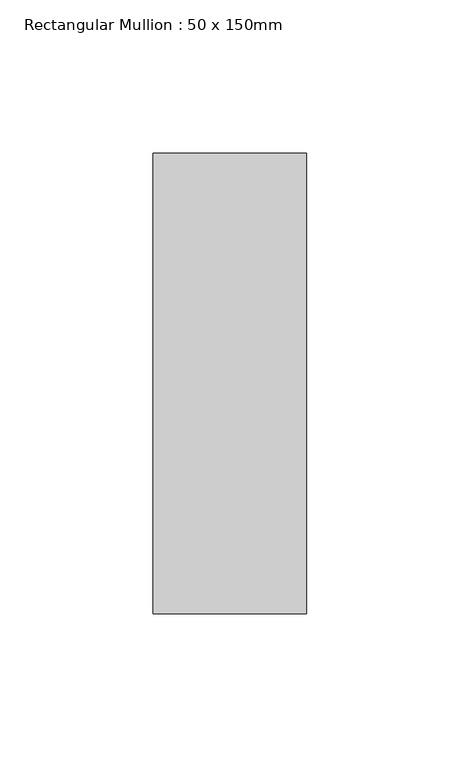
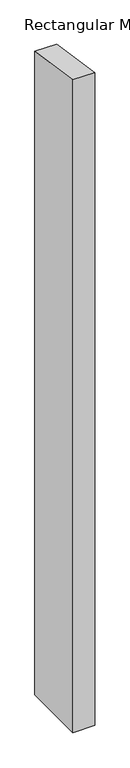
"""IFC4 building model written with IfcOpenShell, lengths in millimetres: member geometry, Rectangular Mullion : 50 x 150mm."""

import ifcopenshell
import ifcopenshell.guid

model = None  # the IFC model being written
_history = None  # IfcOwnerHistory: only IFC2X3 demands one
_inside = {}  # id of a spatial element -> (the spatial element, [elements in it])
_under = {}  # id of a project, library or spatial element -> (it, [spatial elements below it])
_declared = {}  # id of a project -> (the project, [libraries it declares])
_typed = {}  # id of a type object -> (the type object, [elements of that type])
_made_of = {}  # id of a material, layer set ... -> (it, [elements and type objects made of it])


def new_model(schema):
    """Start an empty IFC model of exactly this schema.

    Asked for "IFC4X3", IfcOpenShell would pick the latest addendum, in which some entities
    have other attributes; the version numbers below select the first issue.
    IFC2X3 requires an IfcOwnerHistory on every rooted entity: one is made here for all.
    """
    global model, _history
    if schema == "IFC4X3":
        model = ifcopenshell.file(schema_version=(4, 3, 0, 0))
    else:
        model = ifcopenshell.file(schema=schema)
    _inside.clear()
    _under.clear()
    _declared.clear()
    _typed.clear()
    _made_of.clear()
    _history = None
    if model.schema == "IFC2X3":
        org = make("IfcOrganization", Name="unknown")
        user = make(
            "IfcPersonAndOrganization",
            ThePerson=make("IfcPerson", FamilyName="unknown"),
            TheOrganization=org,
        )
        app = make(
            "IfcApplication",
            ApplicationDeveloper=org,
            Version="unknown",
            ApplicationFullName="unknown",
            ApplicationIdentifier="unknown",
        )
        _history = make(
            "IfcOwnerHistory",
            OwningUser=user,
            OwningApplication=app,
            ChangeAction="ADDED",
            CreationDate=0,
        )
    return model


def make(cls, **values):
    """One entity of the class cls with the attributes given. An attribute that is None is left unset."""
    return model.create_entity(
        cls, **{name: value for name, value in values.items() if value is not None}
    )


def rooted(cls, **values):
    """An entity with a GlobalId (a new one), such as an element, a storey or a relation."""
    return make(cls, GlobalId=ifcopenshell.guid.new(), OwnerHistory=_history, **values)


def si_unit(unit_type, name, prefix=None):
    """IfcSIUnit, for example si_unit("LENGTHUNIT", "METRE", prefix="MILLI")."""
    return make("IfcSIUnit", UnitType=unit_type, Prefix=prefix, Name=name)


def assignment(units):
    """IfcUnitAssignment: the units of a project."""
    return None if units is None else make("IfcUnitAssignment", Units=units)


def point(xyz):
    """IfcCartesianPoint."""
    return None if xyz is None else make("IfcCartesianPoint", Coordinates=xyz)


def direction(xyz):
    """IfcDirection."""
    return None if xyz is None else make("IfcDirection", DirectionRatios=xyz)


def frame(location, z_axis=None, x_axis=None):
    """IfcAxis2Placement3D, a coordinate frame: its origin and axes. An axis left out is left unset."""
    return make(
        "IfcAxis2Placement3D",
        Location=point(location),
        Axis=direction(z_axis),
        RefDirection=direction(x_axis),
    )


def origin():
    """The frame at (0, 0, 0) with its axes left unset."""
    return frame((0.0, 0.0, 0.0))


def place(relative_to, where):
    """IfcLocalPlacement: puts the frame where relative to a parent placement (None: the world)."""
    return make(
        "IfcLocalPlacement", PlacementRelTo=relative_to, RelativePlacement=where
    )


def context(
    kind, dimensions, precision=None, world=None, true_north=None, identifier=None
):
    """IfcGeometricRepresentationContext, for example the 3D "Model" context."""
    return make(
        "IfcGeometricRepresentationContext",
        ContextIdentifier=identifier,
        ContextType=kind,
        CoordinateSpaceDimension=dimensions,
        Precision=precision,
        WorldCoordinateSystem=world,
        TrueNorth=true_north,
    )


def project(units=None, contexts=None):
    """IfcProject with its units and contexts."""
    return rooted(
        "IfcProject",
        Name="project",
        RepresentationContexts=contexts,
        UnitsInContext=assignment(units),
    )


def spatial(cls, under=None, at=None, **own):
    """A site, building, storey or space (cls), placed at a placement, below another one or the project."""
    s = rooted(cls, ObjectPlacement=at, **own)
    if under is not None:
        _under.setdefault(under.id(), (under, []))[1].append(s)
    return s


def polyline(points):
    """IfcPolyline through the points."""
    return make("IfcPolyline", Points=[point(p) for p in points])


def outline(outer, holes=None, kind="AREA"):
    """IfcArbitraryClosedProfileDef: a profile drawn as a closed curve; with holes, ...WithVoids."""
    if holes is None:
        return make("IfcArbitraryClosedProfileDef", ProfileType=kind, OuterCurve=outer)
    return make(
        "IfcArbitraryProfileDefWithVoids",
        ProfileType=kind,
        OuterCurve=outer,
        InnerCurves=holes,
    )


def extrude(swept, where, along, depth):
    """IfcExtrudedAreaSolid: the profile swept, set in the frame where, extruded along a direction by depth."""
    return make(
        "IfcExtrudedAreaSolid",
        SweptArea=swept,
        Position=where,
        ExtrudedDirection=direction(along),
        Depth=depth,
    )


def shape(context_of_items, identifier, shape_type, items):
    """IfcShapeRepresentation: the items that make up one representation, for example the "Body"."""
    return make(
        "IfcShapeRepresentation",
        ContextOfItems=context_of_items,
        RepresentationIdentifier=identifier,
        RepresentationType=shape_type,
        Items=items,
    )


def source(mapping_origin, context_of_items, identifier, shape_type, items):
    """IfcRepresentationMap: a shape defined once, which mapped items show again and again."""
    return make(
        "IfcRepresentationMap",
        MappingOrigin=mapping_origin,
        MappedRepresentation=shape(context_of_items, identifier, shape_type, items),
    )


def transform(
    local_origin,
    x_axis=None,
    y_axis=None,
    z_axis=None,
    scale=None,
    scale2=None,
    scale3=None,
    uniform=True,
):
    """IfcCartesianTransformationOperator3D, or its non-uniform kind. x_axis, y_axis, z_axis: its Axis1, 2, 3."""
    if uniform:
        return make(
            "IfcCartesianTransformationOperator3D",
            Axis1=direction(x_axis),
            Axis2=direction(y_axis),
            LocalOrigin=point(local_origin),
            Scale=scale,
            Axis3=direction(z_axis),
        )
    return make(
        "IfcCartesianTransformationOperator3DnonUniform",
        Axis1=direction(x_axis),
        Axis2=direction(y_axis),
        LocalOrigin=point(local_origin),
        Scale=scale,
        Axis3=direction(z_axis),
        Scale2=scale2,
        Scale3=scale3,
    )


def mapped(mapping_source, mapping_target):
    """IfcMappedItem: shows the shape of a source again, moved by a transform."""
    return make(
        "IfcMappedItem", MappingSource=mapping_source, MappingTarget=mapping_target
    )


def made_of(thing, what):
    """Note that an element or type object is made of a material, layer set ...; save() writes the relation."""
    if what is not None:
        _made_of.setdefault(what.id(), (what, []))[1].append(thing)
    return thing


def element(
    cls,
    number,
    at=None,
    inside=None,
    cuts=None,
    type_object=None,
    material=None,
    context=None,
    identifier="Body",
    shape_type=None,
    held_by="IfcProductDefinitionShape",
    body=None,
    shapes=None,
    **own,
):
    """One element of the class cls, such as IfcWall. Its Tag is "e" and its number.

    at: its placement. inside: the storey or other place that contains it. cuts: it is an
    opening in that element (IfcRelVoidsElement). A single representation is given by context,
    identifier, shape_type and body (its items); several are given by shapes. held_by: the class
    of the entity that holds the representations. save() writes the other relations.
    """
    e = rooted(cls, Tag="e%d" % number, ObjectPlacement=at, **own)
    if body is not None:
        shapes = [shape(context, identifier, shape_type, body)]
    if shapes is not None:
        e.Representation = make(held_by, Representations=shapes)
    if inside is not None:
        _inside.setdefault(inside.id(), (inside, []))[1].append(e)
    if cuts is not None:
        rooted(
            "IfcRelVoidsElement", RelatingBuildingElement=cuts, RelatedOpeningElement=e
        )
    if type_object is not None:
        _typed.setdefault(type_object.id(), (type_object, []))[1].append(e)
    return made_of(e, material)


def aggregate(whole, parts):
    """IfcRelAggregates: a whole, such as a stair, and the parts it consists of."""
    return rooted("IfcRelAggregates", RelatingObject=whole, RelatedObjects=parts)


def save(model, path):
    """Write the relations noted so far, then the file.

    IfcRelAggregates (storeys below a building ...), IfcRelContainedInSpatialStructure (elements
    in a storey), IfcRelDefinesByType, IfcRelAssociatesMaterial and IfcRelDeclares: one each for
    every whole, place, type object, material and project.
    """
    for whole, parts in _under.values():
        aggregate(whole, parts)
    for where, things in _inside.values():
        rooted(
            "IfcRelContainedInSpatialStructure",
            RelatedElements=things,
            RelatingStructure=where,
        )
    for kind, things in _typed.values():
        rooted("IfcRelDefinesByType", RelatedObjects=things, RelatingType=kind)
    for what, things in _made_of.values():
        rooted("IfcRelAssociatesMaterial", RelatedObjects=things, RelatingMaterial=what)
    for by, libraries in _declared.values():
        rooted("IfcRelDeclares", RelatingContext=by, RelatedDefinitions=libraries)
    model.write(path)


def rectangular_mullion_50_x_150mm_0b6fd1fa(model_context):
    return source(origin(), model_context, "Body", "SweptSolid", [
        extrude(outline(polyline([(-75.0, 11.0979209), (75.0, -11.0979209), (75.0, -1563.1256974), (-75.0, -1563.1256974), (-75.0, 11.0979209)])), frame((-50.0, 0.0, 0.0), z_axis=(1.0, 0.0, 0.0), x_axis=(0.0, 1.0, 0.0)), (0.0, 0.0, 1.0), 50.0),
    ])


if __name__ == "__main__":
    model = new_model("IFC4")
    model_context = context("Model", 3, world=origin())
    ifc_project = project(units=[si_unit("LENGTHUNIT", "METRE", prefix="MILLI")], contexts=[model_context])
    site = spatial("IfcSite", under=ifc_project)
    building = spatial("IfcBuilding", under=site)
    placement = place(None, origin())
    rectangular_mullion_50_x_150mm_shape = rectangular_mullion_50_x_150mm_0b6fd1fa(model_context)
    element("IfcMember", 1, ObjectType="Rectangular Mullion : 50 x 150mm", at=placement, inside=building, context=model_context, shape_type="MappedRepresentation", body=[
        mapped(rectangular_mullion_50_x_150mm_shape, transform((0.0, 0.0, 0.0), x_axis=(1.0, 0.0, 0.0), y_axis=(0.0, 1.0, 0.0), z_axis=(0.0, 0.0, 1.0))),
    ])
    save(model, "model.ifc")
